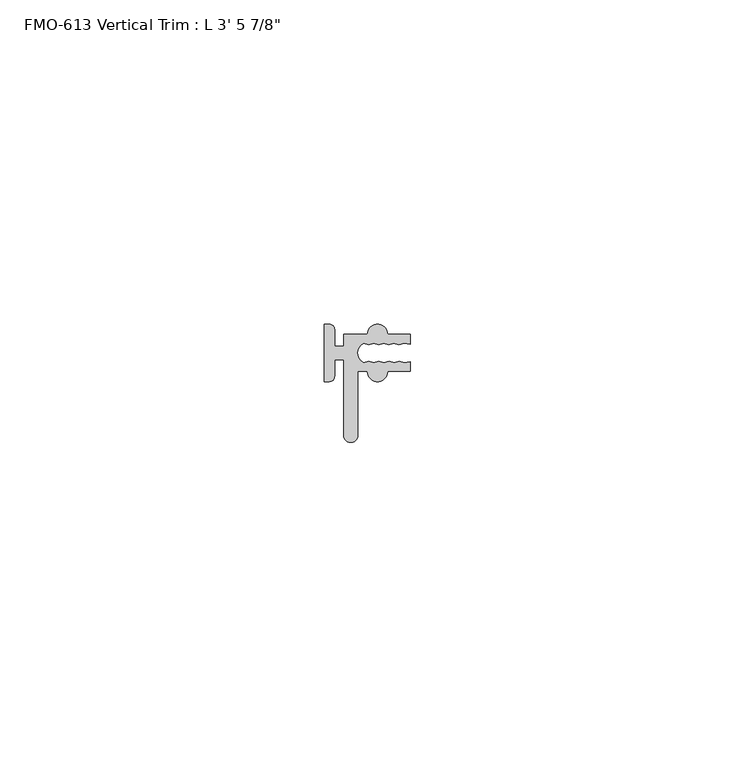
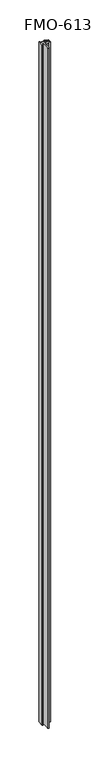
"""IFC4 building model written with IfcOpenShell, lengths in millimetres: proxy geometry."""

from ifc_helpers import new_model, si_unit, point, frame_2d, origin, origin_with_axes, place, context, project, spatial, polyline, circle_curve, trimmed, segment, composite_curve, outline, extrude, source, transform, mapped, element, save


def proxy_c44e47a4(model_context):
    return source(origin(), model_context, "Body", "SweptSolid", [
        extrude(outline(composite_curve([segment(polyline([(0.7914193, 9.3961469), (0.0, 9.3961469), (0.0, 18.2353462), (0.79248, 18.2353462)]), True, "CONTINUOUS"), segment(trimmed(circle_curve(frame_2d((0.79248, 17.4403261)), 0.79502), [point((0.79248, 18.2353462))], [point((1.5874993, 17.4392659))], False, "CARTESIAN"), True, "CONTINUOUS"), segment(polyline([(1.5874993, 17.4392659), (1.5874993, 14.8825462), (3.0149789, 14.8825462), (3.0149789, 16.6605462), (6.6344788, 16.6605462)]), True, "CONTINUOUS"), segment(trimmed(circle_curve(frame_2d((8.2092789, 16.6602927)), 1.5748001), [point((6.6344788, 16.6605462))], [point((9.7840789, 16.6605462))], False, "CARTESIAN"), True, "CONTINUOUS"), segment(polyline([(9.7840789, 16.6605462), (13.2892789, 16.6605462), (13.2892789, 15.1852244), (12.3404239, 15.3185773), (11.5071816, 15.0886916), (10.6859367, 15.3397714), (9.9285159, 15.0936704), (9.1655139, 15.3415848), (8.4015866, 15.0933697), (7.6382682, 15.3413869), (6.8769484, 15.0940191), (6.1137792, 15.3397461)]), True, "CONTINUOUS"), segment(trimmed(circle_curve(frame_2d((6.7850646, 13.8157462)), 1.6652927), [point((6.1137792, 15.3397461))], [point((5.1197719, 13.8157462))], True, "CARTESIAN"), True, "CONTINUOUS"), segment(trimmed(circle_curve(frame_2d((6.7850646, 13.8157462)), 1.6652927), [point((5.1197719, 13.8157462))], [point((6.1055862, 12.2953814))], True, "CARTESIAN"), True, "CONTINUOUS"), segment(polyline([(6.1055862, 12.2953814), (6.8645722, 12.541991), (7.629992, 12.293291), (8.4142309, 12.5481057), (9.2077206, 12.2902853), (9.9908516, 12.5447399), (10.7543987, 12.3113001), (11.5429573, 12.5288579), (12.3299345, 12.2882548), (13.2892789, 12.4402001), (13.2892789, 10.9709462), (9.784079, 10.9709462)]), True, "CONTINUOUS"), segment(trimmed(circle_curve(frame_2d((8.2092789, 10.9711996)), 1.5748001), [point((9.784079, 10.9709462))], [point((6.6344789, 10.9709461))], False, "CARTESIAN"), True, "CONTINUOUS"), segment(polyline([(6.6344789, 10.9709461), (5.1485789, 10.9709461), (5.1485789, 1.0668)]), True, "CONTINUOUS"), segment(trimmed(circle_curve(frame_2d((4.0817789, 1.0668)), 1.0668), [point((5.1485789, 1.0668))], [point((3.0149789, 1.0668))], False, "CARTESIAN"), True, "CONTINUOUS"), segment(polyline([(3.0149789, 1.0668), (3.0149789, 12.7489462), (1.5875, 12.7489462), (1.5875, 10.1922264)]), True, "CONTINUOUS"), segment(trimmed(circle_curve(frame_2d((0.7924804, 10.1911665)), 0.7950204), [point((1.5875, 10.1922264))], [point((0.7914193, 9.3961469))], False, "CARTESIAN"), True, "CONTINUOUS")], self_intersect=False)), origin_with_axes(), (0.0, 0.0, 1.0), 1063.625),
    ])


if __name__ == "__main__":
    model = new_model("IFC4")
    model_context = context("Model", 3, world=origin())
    ifc_project = project(units=[si_unit("LENGTHUNIT", "METRE", prefix="MILLI")], contexts=[model_context])
    site = spatial("IfcSite", under=ifc_project)
    building = spatial("IfcBuilding", under=site)
    placement = place(None, origin())
    proxy_shape = proxy_c44e47a4(model_context)
    element("IfcBuildingElementProxy", 1, Name="FMO-613 Vertical Trim : L 3' 5 7/8\"", ObjectType="FMO-613 Vertical Trim : L 3' 5 7/8\"", at=placement, inside=building, context=model_context, shape_type="MappedRepresentation", body=[
        mapped(proxy_shape, transform((0.0, 0.0, 0.0), x_axis=(1.0, 0.0, 0.0), y_axis=(0.0, 1.0, 0.0), z_axis=(0.0, 0.0, 1.0))),
    ])
    save(model, "model.ifc")
